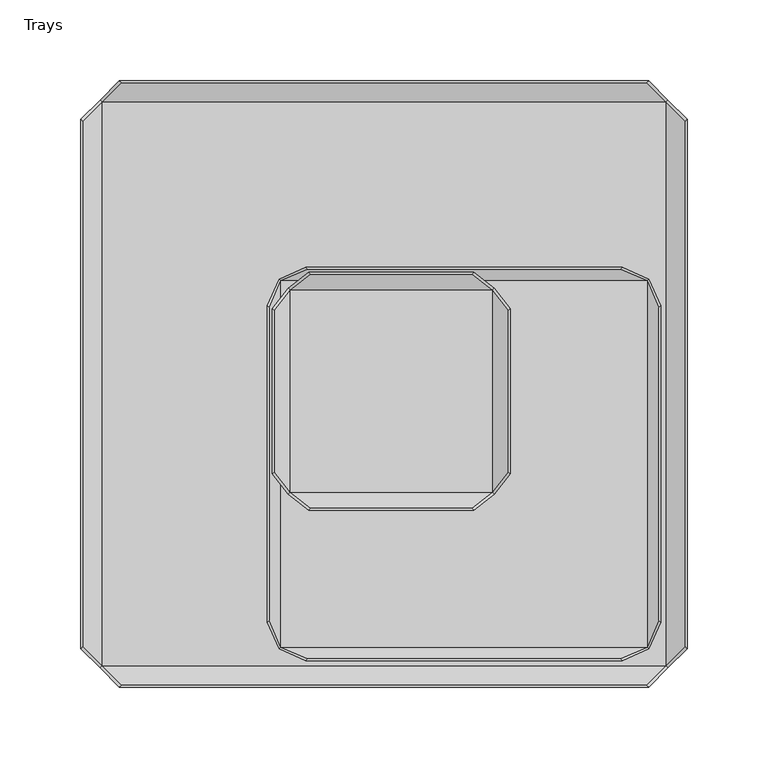
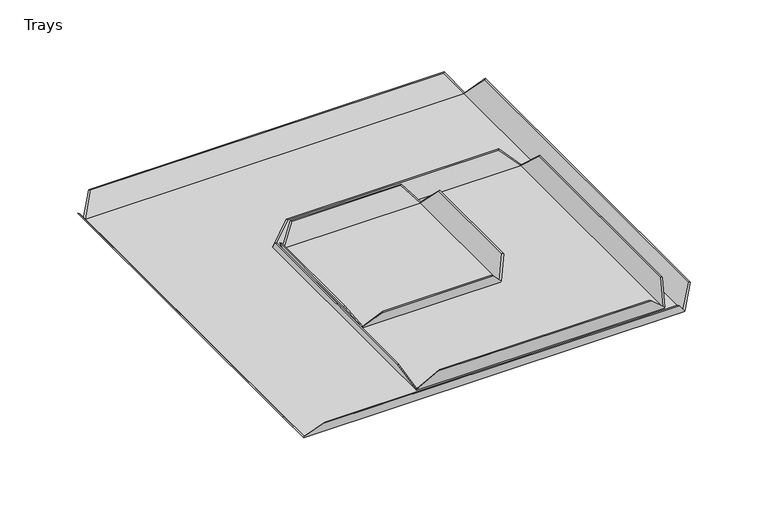
"""IFC4 building model written with IfcOpenShell, lengths in millimetres: furniture geometry, Trays."""

from ifc_helpers import new_model, si_unit, origin, place, context, project, spatial, faceted_brep, source, transform, mapped, element, save


def trays_5a472813(model_context):
    return source(origin(), model_context, "Body", "Brep", [
        faceted_brep([(-67.9431523, 45.460924, 1161.1833361), (-69.1698719, 46.6876436, 1161.1833361), (-69.1698719, -55.6678998, 1161.1833361), (-67.9431523, -54.4411802, 1161.1833361), (55.6678998, -78.1501281, 1161.1833361), (54.4411802, -76.9234085, 1161.1833361), (-45.460924, -76.9234085, 1161.1833361), (-46.6876436, -78.1501281, 1161.1833361), (-46.6876436, 69.1698719, 1161.1833361), (-45.460924, 67.9431523, 1161.1833361), (54.4411802, 67.9431523, 1161.1833361), (55.6678998, 69.1698719, 1161.1833361), (76.9234085, -54.4411802, 1161.1833361), (78.1501281, -55.6678998, 1161.1833361), (78.1501281, 46.6876436, 1161.1833361), (76.9234085, 45.460924, 1161.1833361), (-59.0098719, 59.0098719, 1144.524), (67.9901281, 59.0098719, 1144.524), (67.9901281, -67.9901281, 1144.524), (-59.0098719, -67.9901281, 1144.524), (-59.4745915, -68.4548477, 1145.286), (-59.4745915, 59.4745915, 1145.286), (68.4548477, -68.4548477, 1145.286), (68.4548477, 59.4745915, 1145.286), (-58.2478719, 58.2478719, 1145.286), (-58.2478719, -67.2281281, 1145.286), (67.2281281, -67.2281281, 1145.286), (67.2281281, 58.2478719, 1145.286)], [[[0, 1, 2, 3]], [[4, 5, 6, 7]], [[8, 9, 10, 11]], [[12, 13, 14, 15]], [[16, 17, 18, 19]], [[16, 19, 20, 2, 1, 21]], [[19, 18, 22, 4, 7, 20]], [[18, 17, 23, 14, 13, 22]], [[17, 16, 21, 8, 11, 23]], [[24, 25, 26, 27]], [[25, 24, 0, 3]], [[26, 25, 6, 5]], [[27, 26, 12, 15]], [[24, 27, 10, 9]], [[24, 21, 1, 0]], [[22, 26, 5, 4]], [[21, 24, 9, 8]], [[26, 22, 13, 12]], [[25, 20, 7, 6]], [[23, 27, 15, 14]], [[20, 25, 3, 2]], [[27, 23, 11, 10]]]),
        faceted_brep([(-71.2560622, 47.3485658, 1161.4291529), (-72.3467196, 48.4392231, 1161.4291529), (-72.3467196, -147.5857839, 1161.4291529), (-71.2560622, -146.4951266, 1161.4291529), (147.5857839, -171.4932804, 1161.4291529), (146.4951266, -170.402623, 1161.4291529), (-47.3485658, -170.402623, 1161.4291529), (-48.4392231, -171.4932804, 1161.4291529), (-48.4392231, 72.3467196, 1161.4291529), (-47.3485658, 71.2560622, 1161.4291529), (146.4951266, 71.2560622, 1161.4291529), (147.5857839, 72.3467196, 1161.4291529), (170.402623, -146.4951266, 1161.4291529), (171.4932804, -147.5857839, 1161.4291529), (171.4932804, 48.4392231, 1161.4291529), (170.402623, 47.3485658, 1161.4291529), (163.8732804, 64.7267196, 1143.762), (163.8732804, -163.8732804, 1143.762), (-64.7267196, -163.8732804, 1143.762), (-64.7267196, 64.7267196, 1143.762), (-65.055377, 65.055377, 1144.524), (164.2019378, 65.055377, 1144.524), (-65.055377, -164.2019378, 1144.524), (164.2019378, -164.2019378, 1144.524), (-63.9647196, 63.9647196, 1144.524), (-63.9647196, -163.1112804, 1144.524), (163.1112804, -163.1112804, 1144.524), (163.1112804, 63.9647196, 1144.524)], [[[0, 1, 2, 3]], [[4, 5, 6, 7]], [[8, 9, 10, 11]], [[12, 13, 14, 15]], [[16, 17, 18, 19]], [[16, 19, 20, 8, 11, 21]], [[19, 18, 22, 2, 1, 20]], [[18, 17, 23, 4, 7, 22]], [[17, 16, 21, 14, 13, 23]], [[24, 25, 26, 27]], [[25, 24, 0, 3]], [[26, 25, 6, 5]], [[27, 26, 12, 15]], [[24, 27, 10, 9]], [[24, 20, 1, 0]], [[23, 26, 5, 4]], [[20, 24, 9, 8]], [[26, 23, 13, 12]], [[25, 22, 7, 6]], [[21, 27, 15, 14]], [[22, 25, 3, 2]], [[27, 21, 11, 10]]]),
        faceted_brep([(-186.6532349, 162.6082773, 1160.7643526), (-187.96, 163.9150424, 1160.7643526), (-187.96, -163.9150424, 1160.7643526), (-186.6532349, -162.6082773, 1160.7643526), (163.9150424, -187.96, 1160.7643526), (162.6082773, -186.6532349, 1160.7643526), (-162.6082773, -186.6532349, 1160.7643526), (-163.9150424, -187.96, 1160.7643526), (-163.9150424, 187.96, 1160.7643526), (-162.6082773, 186.6532349, 1160.7643526), (162.6082773, 186.6532349, 1160.7643526), (163.9150424, 187.96, 1160.7643526), (186.6532349, -162.6082773, 1160.7643526), (187.96, -163.9150424, 1160.7643526), (187.96, 163.9150424, 1160.7643526), (186.6532349, 162.6082773, 1160.7643526), (175.26, 175.26, 1143.0), (175.26, -175.26, 1143.0), (-175.26, -175.26, 1143.0), (-175.26, 175.26, 1143.0), (-175.8047651, 175.8047651, 1143.762), (175.8047651, 175.8047651, 1143.762), (-175.8047651, -175.8047651, 1143.762), (175.8047651, -175.8047651, 1143.762), (-174.498, 174.498, 1143.762), (-174.498, -174.498, 1143.762), (174.498, -174.498, 1143.762), (174.498, 174.498, 1143.762)], [[[0, 1, 2, 3]], [[4, 5, 6, 7]], [[8, 9, 10, 11]], [[12, 13, 14, 15]], [[16, 17, 18, 19]], [[16, 19, 20, 8, 11, 21]], [[19, 18, 22, 2, 1, 20]], [[18, 17, 23, 4, 7, 22]], [[17, 16, 21, 14, 13, 23]], [[24, 25, 26, 27]], [[25, 24, 0, 3]], [[26, 25, 6, 5]], [[27, 26, 12, 15]], [[24, 27, 10, 9]], [[24, 20, 1, 0]], [[23, 26, 5, 4]], [[20, 24, 9, 8]], [[26, 23, 13, 12]], [[25, 22, 7, 6]], [[21, 27, 15, 14]], [[22, 25, 3, 2]], [[27, 21, 11, 10]]]),
    ])


if __name__ == "__main__":
    model = new_model("IFC4")
    model_context = context("Model", 3, world=origin())
    ifc_project = project(units=[si_unit("LENGTHUNIT", "METRE", prefix="MILLI")], contexts=[model_context])
    site = spatial("IfcSite", under=ifc_project)
    building = spatial("IfcBuilding", under=site)
    placement = place(None, origin())
    trays_shape = trays_5a472813(model_context)
    element("IfcFurniture", 1, ObjectType="Trays", at=placement, inside=building, context=model_context, shape_type="MappedRepresentation", body=[
        mapped(trays_shape, transform((0.0, 0.0, 0.0), x_axis=(1.0, 0.0, 0.0), y_axis=(0.0, 1.0, 0.0), z_axis=(0.0, 0.0, 1.0))),
    ])
    save(model, "model.ifc")
